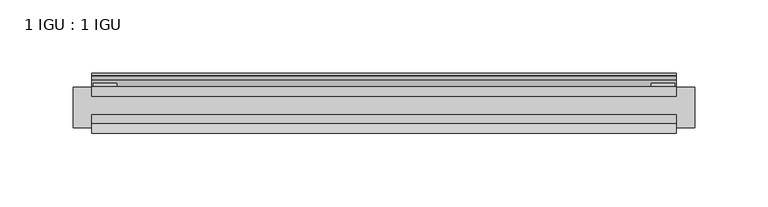
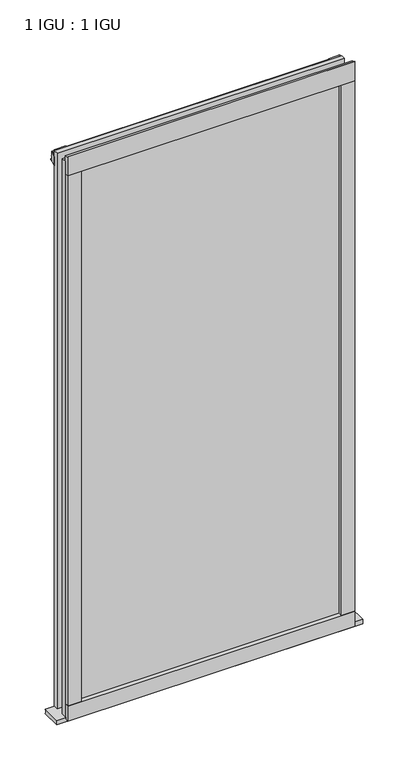
"""IFC4 building model written with IfcOpenShell, lengths in millimetres: plate geometry, 1 IGU : 1 IGU."""

import ifcopenshell
import ifcopenshell.guid

model = None  # the IFC model being written
_history = None  # IfcOwnerHistory: only IFC2X3 demands one
_inside = {}  # id of a spatial element -> (the spatial element, [elements in it])
_under = {}  # id of a project, library or spatial element -> (it, [spatial elements below it])
_declared = {}  # id of a project -> (the project, [libraries it declares])
_typed = {}  # id of a type object -> (the type object, [elements of that type])
_made_of = {}  # id of a material, layer set ... -> (it, [elements and type objects made of it])


def new_model(schema):
    """Start an empty IFC model of exactly this schema.

    Asked for "IFC4X3", IfcOpenShell would pick the latest addendum, in which some entities
    have other attributes; the version numbers below select the first issue.
    IFC2X3 requires an IfcOwnerHistory on every rooted entity: one is made here for all.
    """
    global model, _history
    if schema == "IFC4X3":
        model = ifcopenshell.file(schema_version=(4, 3, 0, 0))
    else:
        model = ifcopenshell.file(schema=schema)
    _inside.clear()
    _under.clear()
    _declared.clear()
    _typed.clear()
    _made_of.clear()
    _history = None
    if model.schema == "IFC2X3":
        org = make("IfcOrganization", Name="unknown")
        user = make(
            "IfcPersonAndOrganization",
            ThePerson=make("IfcPerson", FamilyName="unknown"),
            TheOrganization=org,
        )
        app = make(
            "IfcApplication",
            ApplicationDeveloper=org,
            Version="unknown",
            ApplicationFullName="unknown",
            ApplicationIdentifier="unknown",
        )
        _history = make(
            "IfcOwnerHistory",
            OwningUser=user,
            OwningApplication=app,
            ChangeAction="ADDED",
            CreationDate=0,
        )
    return model


def make(cls, **values):
    """One entity of the class cls with the attributes given. An attribute that is None is left unset."""
    return model.create_entity(
        cls, **{name: value for name, value in values.items() if value is not None}
    )


def rooted(cls, **values):
    """An entity with a GlobalId (a new one), such as an element, a storey or a relation."""
    return make(cls, GlobalId=ifcopenshell.guid.new(), OwnerHistory=_history, **values)


def si_unit(unit_type, name, prefix=None):
    """IfcSIUnit, for example si_unit("LENGTHUNIT", "METRE", prefix="MILLI")."""
    return make("IfcSIUnit", UnitType=unit_type, Prefix=prefix, Name=name)


def assignment(units):
    """IfcUnitAssignment: the units of a project."""
    return None if units is None else make("IfcUnitAssignment", Units=units)


def point(xyz):
    """IfcCartesianPoint."""
    return None if xyz is None else make("IfcCartesianPoint", Coordinates=xyz)


def direction(xyz):
    """IfcDirection."""
    return None if xyz is None else make("IfcDirection", DirectionRatios=xyz)


def frame(location, z_axis=None, x_axis=None):
    """IfcAxis2Placement3D, a coordinate frame: its origin and axes. An axis left out is left unset."""
    return make(
        "IfcAxis2Placement3D",
        Location=point(location),
        Axis=direction(z_axis),
        RefDirection=direction(x_axis),
    )


def frame_2d(location, x_axis=None):
    """IfcAxis2Placement2D, a coordinate frame in the plane: its origin and x axis."""
    return make(
        "IfcAxis2Placement2D", Location=point(location), RefDirection=direction(x_axis)
    )


def origin():
    """The frame at (0, 0, 0) with its axes left unset."""
    return frame((0.0, 0.0, 0.0))


def place(relative_to, where):
    """IfcLocalPlacement: puts the frame where relative to a parent placement (None: the world)."""
    return make(
        "IfcLocalPlacement", PlacementRelTo=relative_to, RelativePlacement=where
    )


def context(
    kind, dimensions, precision=None, world=None, true_north=None, identifier=None
):
    """IfcGeometricRepresentationContext, for example the 3D "Model" context."""
    return make(
        "IfcGeometricRepresentationContext",
        ContextIdentifier=identifier,
        ContextType=kind,
        CoordinateSpaceDimension=dimensions,
        Precision=precision,
        WorldCoordinateSystem=world,
        TrueNorth=true_north,
    )


def project(units=None, contexts=None):
    """IfcProject with its units and contexts."""
    return rooted(
        "IfcProject",
        Name="project",
        RepresentationContexts=contexts,
        UnitsInContext=assignment(units),
    )


def spatial(cls, under=None, at=None, **own):
    """A site, building, storey or space (cls), placed at a placement, below another one or the project."""
    s = rooted(cls, ObjectPlacement=at, **own)
    if under is not None:
        _under.setdefault(under.id(), (under, []))[1].append(s)
    return s


def polyline(points):
    """IfcPolyline through the points."""
    return make("IfcPolyline", Points=[point(p) for p in points])


def circle_curve(where, radius):
    """IfcCircle in the frame where."""
    return make("IfcCircle", Position=where, Radius=radius)


def trimmed(basis, trim1, trim2, sense, master):
    """IfcTrimmedCurve: the piece of a basis curve between two trims."""
    return make(
        "IfcTrimmedCurve",
        BasisCurve=basis,
        Trim1=trim1,
        Trim2=trim2,
        SenseAgreement=sense,
        MasterRepresentation=master,
    )


def segment(curve, same_sense, transition):
    """IfcCompositeCurveSegment."""
    return make(
        "IfcCompositeCurveSegment",
        Transition=transition,
        SameSense=same_sense,
        ParentCurve=curve,
    )


def composite_curve(segments, self_intersect=None):
    """IfcCompositeCurve: segments joined end to end."""
    return make("IfcCompositeCurve", Segments=segments, SelfIntersect=self_intersect)


def outline(outer, holes=None, kind="AREA"):
    """IfcArbitraryClosedProfileDef: a profile drawn as a closed curve; with holes, ...WithVoids."""
    if holes is None:
        return make("IfcArbitraryClosedProfileDef", ProfileType=kind, OuterCurve=outer)
    return make(
        "IfcArbitraryProfileDefWithVoids",
        ProfileType=kind,
        OuterCurve=outer,
        InnerCurves=holes,
    )


def extrude(swept, where, along, depth):
    """IfcExtrudedAreaSolid: the profile swept, set in the frame where, extruded along a direction by depth."""
    return make(
        "IfcExtrudedAreaSolid",
        SweptArea=swept,
        Position=where,
        ExtrudedDirection=direction(along),
        Depth=depth,
    )


def shape(context_of_items, identifier, shape_type, items):
    """IfcShapeRepresentation: the items that make up one representation, for example the "Body"."""
    return make(
        "IfcShapeRepresentation",
        ContextOfItems=context_of_items,
        RepresentationIdentifier=identifier,
        RepresentationType=shape_type,
        Items=items,
    )


def source(mapping_origin, context_of_items, identifier, shape_type, items):
    """IfcRepresentationMap: a shape defined once, which mapped items show again and again."""
    return make(
        "IfcRepresentationMap",
        MappingOrigin=mapping_origin,
        MappedRepresentation=shape(context_of_items, identifier, shape_type, items),
    )


def transform(
    local_origin,
    x_axis=None,
    y_axis=None,
    z_axis=None,
    scale=None,
    scale2=None,
    scale3=None,
    uniform=True,
):
    """IfcCartesianTransformationOperator3D, or its non-uniform kind. x_axis, y_axis, z_axis: its Axis1, 2, 3."""
    if uniform:
        return make(
            "IfcCartesianTransformationOperator3D",
            Axis1=direction(x_axis),
            Axis2=direction(y_axis),
            LocalOrigin=point(local_origin),
            Scale=scale,
            Axis3=direction(z_axis),
        )
    return make(
        "IfcCartesianTransformationOperator3DnonUniform",
        Axis1=direction(x_axis),
        Axis2=direction(y_axis),
        LocalOrigin=point(local_origin),
        Scale=scale,
        Axis3=direction(z_axis),
        Scale2=scale2,
        Scale3=scale3,
    )


def mapped(mapping_source, mapping_target):
    """IfcMappedItem: shows the shape of a source again, moved by a transform."""
    return make(
        "IfcMappedItem", MappingSource=mapping_source, MappingTarget=mapping_target
    )


def made_of(thing, what):
    """Note that an element or type object is made of a material, layer set ...; save() writes the relation."""
    if what is not None:
        _made_of.setdefault(what.id(), (what, []))[1].append(thing)
    return thing


def element(
    cls,
    number,
    at=None,
    inside=None,
    cuts=None,
    type_object=None,
    material=None,
    context=None,
    identifier="Body",
    shape_type=None,
    held_by="IfcProductDefinitionShape",
    body=None,
    shapes=None,
    **own,
):
    """One element of the class cls, such as IfcWall. Its Tag is "e" and its number.

    at: its placement. inside: the storey or other place that contains it. cuts: it is an
    opening in that element (IfcRelVoidsElement). A single representation is given by context,
    identifier, shape_type and body (its items); several are given by shapes. held_by: the class
    of the entity that holds the representations. save() writes the other relations.
    """
    e = rooted(cls, Tag="e%d" % number, ObjectPlacement=at, **own)
    if body is not None:
        shapes = [shape(context, identifier, shape_type, body)]
    if shapes is not None:
        e.Representation = make(held_by, Representations=shapes)
    if inside is not None:
        _inside.setdefault(inside.id(), (inside, []))[1].append(e)
    if cuts is not None:
        rooted(
            "IfcRelVoidsElement", RelatingBuildingElement=cuts, RelatedOpeningElement=e
        )
    if type_object is not None:
        _typed.setdefault(type_object.id(), (type_object, []))[1].append(e)
    return made_of(e, material)


def aggregate(whole, parts):
    """IfcRelAggregates: a whole, such as a stair, and the parts it consists of."""
    return rooted("IfcRelAggregates", RelatingObject=whole, RelatedObjects=parts)


def save(model, path):
    """Write the relations noted so far, then the file.

    IfcRelAggregates (storeys below a building ...), IfcRelContainedInSpatialStructure (elements
    in a storey), IfcRelDefinesByType, IfcRelAssociatesMaterial and IfcRelDeclares: one each for
    every whole, place, type object, material and project.
    """
    for whole, parts in _under.values():
        aggregate(whole, parts)
    for where, things in _inside.values():
        rooted(
            "IfcRelContainedInSpatialStructure",
            RelatedElements=things,
            RelatingStructure=where,
        )
    for kind, things in _typed.values():
        rooted("IfcRelDefinesByType", RelatedObjects=things, RelatingType=kind)
    for what, things in _made_of.values():
        rooted("IfcRelAssociatesMaterial", RelatedObjects=things, RelatingMaterial=what)
    for by, libraries in _declared.values():
        rooted("IfcRelDeclares", RelatingContext=by, RelatedDefinitions=libraries)
    model.write(path)


def plate_1_igu_1_igu_3bc24f91(model_context):
    return source(origin(), model_context, "Body", "SweptSolid", [
        extrude(outline(polyline([(200.0261906, 0.0021347), (200.0261906, -6.2992), (-200.0261906, -6.2992), (-200.0261906, 0.0021347), (200.0261906, 0.0021347)])), frame((0.0, 0.0, -19.05), z_axis=(0.0, 0.0, 1.0), x_axis=(1.0, 0.0, 0.0)), (0.0, 0.0, 1.0), 817.5498001),
        extrude(outline(polyline([(-200.0261906, -19.0986653), (200.0261906, -19.0986653), (200.0261906, -25.3978653), (-200.0261906, -25.3978653), (-200.0261906, -19.0986653)])), frame((0.0, 0.0, -19.05), z_axis=(0.0, 0.0, 1.0), x_axis=(1.0, 0.0, 0.0)), (0.0, 0.0, 1.0), 817.5498001),
        extrude(outline(composite_curve([segment(trimmed(circle_curve(frame_2d((10.9021792, -22.6833935)), 11.4916952), [point((0.0, -19.05))], [point((-0.2638007, -25.4))], True, "CARTESIAN"), True, "CONTINUOUS"), segment(polyline([(-0.2638007, -25.4), (-27.9952564, -25.4), (-27.9952564, -19.05), (0.0, -19.05)]), True, "CONTINUOUS")], self_intersect=False)), frame((-212.7261906, 0.0, 0.0), z_axis=(1.0, 0.0, 0.0), x_axis=(0.0, 1.0, 0.0)), (0.0, 0.0, 1.0), 425.4523813),
        extrude(outline(composite_curve([segment(polyline([(-31.75, 0.0), (-25.4, 0.0), (-25.4, -22.225)]), True, "CONTINUOUS"), segment(trimmed(circle_curve(frame_2d((-28.575, -28.9113452)), 7.4018806), [point((-25.4, -22.225))], [point((-31.75, -22.225))], True, "CARTESIAN"), True, "CONTINUOUS"), segment(polyline([(-31.75, -22.225), (-31.75, 0.0)]), True, "CONTINUOUS")], self_intersect=False)), frame((-200.0261906, 0.0, 0.0), z_axis=(1.0, 0.0, 0.0), x_axis=(0.0, 1.0, 0.0)), (0.0, 0.0, 1.0), 400.0523813),
        extrude(outline(composite_curve([segment(trimmed(circle_curve(frame_2d((-23.3689302, 822.6664901)), 40.3187601), [point((0.0, 789.8108131))], [point((4.9746073, 793.9916528))], True, "CARTESIAN"), True, "CONTINUOUS"), segment(trimmed(circle_curve(frame_2d((5.8674, 793.0884246)), 1.27), [point((4.9746073, 793.9916528))], [point((7.1374, 793.0884246))], False, "CARTESIAN"), True, "CONTINUOUS"), segment(polyline([(7.1374, 793.0884246), (7.1374, 788.6876169), (7.7309478, 786.4724663), (6.35, 786.2379789), (6.35, 781.0500001), (9.3980339, 781.0500001), (9.3980339, 779.6684051)]), True, "CONTINUOUS"), segment(trimmed(circle_curve(frame_2d((13.6593785, 748.6551528)), 31.3046461), [point((9.3980339, 779.6684051))], [point((0.0, 776.8225498))], True, "CARTESIAN"), True, "CONTINUOUS"), segment(polyline([(0.0, 776.8225498), (0.0, 789.8108131)]), True, "CONTINUOUS")], self_intersect=False)), frame((-200.0261906, 0.0, 0.0), z_axis=(1.0, 0.0, 0.0), x_axis=(0.0, 1.0, 0.0)), (0.0, 0.0, 1.0), 400.0523813),
        extrude(outline(composite_curve([segment(polyline([(-25.4, 806.4500001), (-25.4, 781.0500001), (-31.75, 781.0500001), (-31.75, 809.2228974)]), True, "CONTINUOUS"), segment(trimmed(circle_curve(frame_2d((-24.1401272, 817.9924116)), 11.6109665), [point((-31.75, 809.2228974))], [point((-25.4, 806.4500001))], True, "CARTESIAN"), True, "CONTINUOUS")], self_intersect=False)), frame((-200.0261906, 0.0, 0.0), z_axis=(1.0, 0.0, 0.0), x_axis=(0.0, 1.0, 0.0)), (0.0, 0.0, 1.0), 400.0523813),
        extrude(outline(composite_curve([segment(polyline([(180.9761906, -25.4), (200.0261906, -25.4)]), True, "CONTINUOUS"), segment(trimmed(circle_curve(frame_2d((209.4923413, -28.575)), 9.9844196), [point((200.0261906, -25.4))], [point((200.0261906, -31.75))], True, "CARTESIAN"), True, "CONTINUOUS"), segment(polyline([(200.0261906, -31.75), (180.9761906, -31.75), (180.9761906, -25.4)]), True, "CONTINUOUS")], self_intersect=False)), frame((0.0, 0.0, -19.05), z_axis=(0.0, 0.0, 1.0), x_axis=(1.0, 0.0, 0.0)), (0.0, 0.0, 1.0), 817.5498001),
        extrude(outline(polyline([(198.8196906, 2.2860088), (198.8196906, 0.0021347), (182.9446906, 0.0021347), (182.9446906, 2.2860088), (198.8196906, 2.2860088)])), frame((0.0, 0.0, -19.05), z_axis=(0.0, 0.0, 1.0), x_axis=(1.0, 0.0, 0.0)), (0.0, 0.0, 1.0), 817.5498001),
        extrude(outline(composite_curve([segment(trimmed(circle_curve(frame_2d((-209.4923413, -28.575)), 9.9844196), [point((-200.0261906, -31.75))], [point((-200.0261906, -25.4))], True, "CARTESIAN"), True, "CONTINUOUS"), segment(polyline([(-200.0261906, -25.4), (-180.9761906, -25.4), (-180.9761906, -31.75), (-200.0261906, -31.75)]), True, "CONTINUOUS")], self_intersect=False)), frame((0.0, 0.0, -19.05), z_axis=(0.0, 0.0, 1.0), x_axis=(1.0, 0.0, 0.0)), (0.0, 0.0, 1.0), 817.5498001),
        extrude(outline(polyline([(-198.8196906, 0.0), (-198.8196906, 2.286), (-182.9446906, 2.286), (-182.9446906, 0.0), (-198.8196906, 0.0)])), frame((0.0, 0.0, -19.05), z_axis=(0.0, 0.0, 1.0), x_axis=(1.0, 0.0, 0.0)), (0.0, 0.0, 1.0), 817.5498001),
    ])


if __name__ == "__main__":
    model = new_model("IFC4")
    model_context = context("Model", 3, world=origin())
    ifc_project = project(units=[si_unit("LENGTHUNIT", "METRE", prefix="MILLI")], contexts=[model_context])
    site = spatial("IfcSite", under=ifc_project)
    building = spatial("IfcBuilding", under=site)
    placement = place(None, origin())
    plate_1_igu_1_igu_shape = plate_1_igu_1_igu_3bc24f91(model_context)
    element("IfcPlate", 1, ObjectType="1 IGU : 1 IGU", at=placement, inside=building, context=model_context, shape_type="MappedRepresentation", body=[
        mapped(plate_1_igu_1_igu_shape, transform((0.0, 0.0, 0.0), x_axis=(1.0, 0.0, 0.0), y_axis=(0.0, 1.0, 0.0), z_axis=(0.0, 0.0, 1.0))),
    ])
    save(model, "model.ifc")
